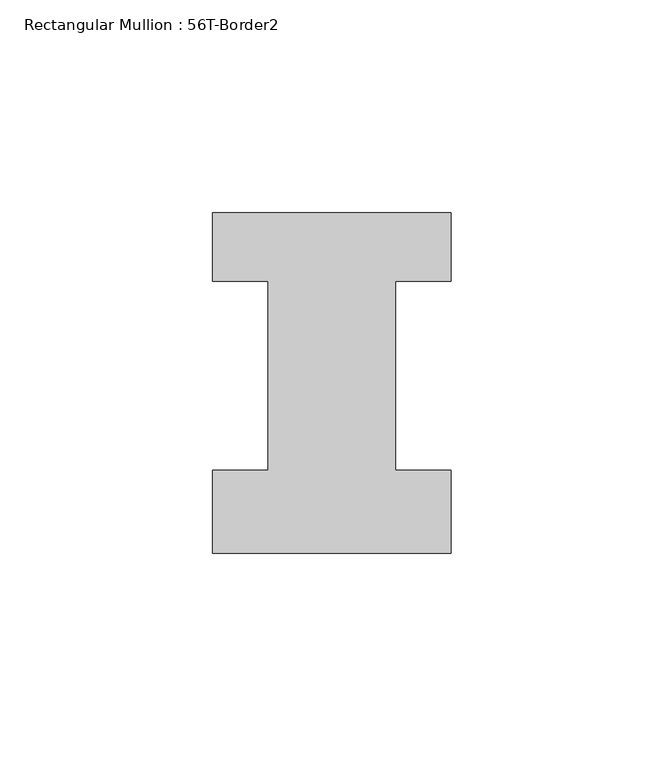
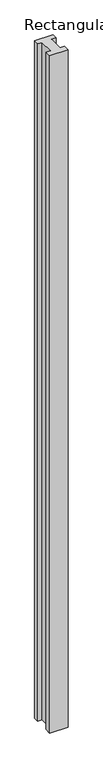
"""IFC4 building model written with IfcOpenShell, lengths in millimetres: member geometry, Rectangular Mullion : 56T-Border2."""

from ifc_helpers import new_model, si_unit, frame, origin, place, context, project, spatial, polyline, outline, extrude, source, transform, mapped, element, save


def rectangular_mullion_56t_border2_7b00fd4b(model_context):
    return source(origin(), model_context, "Body", "SweptSolid", [
        extrude(outline(polyline([(0.0, -20.0), (-56.0, -20.0), (-56.0, -0.5), (-43.0, -0.5), (-43.0, 44.0), (-56.0, 44.0), (-56.0, 60.0), (0.0, 60.0), (0.0, 44.0), (-13.0, 44.0), (-13.0, -0.5), (0.0, -0.5), (0.0, -20.0)])), frame((0.0, 0.0, -2200.0), z_axis=(0.0, 0.0, 1.0), x_axis=(1.0, 0.0, 0.0)), (0.0, 0.0, 1.0), 2200.0),
    ])


if __name__ == "__main__":
    model = new_model("IFC4")
    model_context = context("Model", 3, world=origin())
    ifc_project = project(units=[si_unit("LENGTHUNIT", "METRE", prefix="MILLI")], contexts=[model_context])
    site = spatial("IfcSite", under=ifc_project)
    building = spatial("IfcBuilding", under=site)
    placement = place(None, origin())
    rectangular_mullion_56t_border2_shape = rectangular_mullion_56t_border2_7b00fd4b(model_context)
    element("IfcMember", 1, ObjectType="Rectangular Mullion : 56T-Border2", at=placement, inside=building, context=model_context, shape_type="MappedRepresentation", body=[
        mapped(rectangular_mullion_56t_border2_shape, transform((0.0, 0.0, 0.0), x_axis=(1.0, 0.0, 0.0), y_axis=(0.0, 1.0, 0.0), z_axis=(0.0, 0.0, 1.0))),
    ])
    save(model, "model.ifc")
